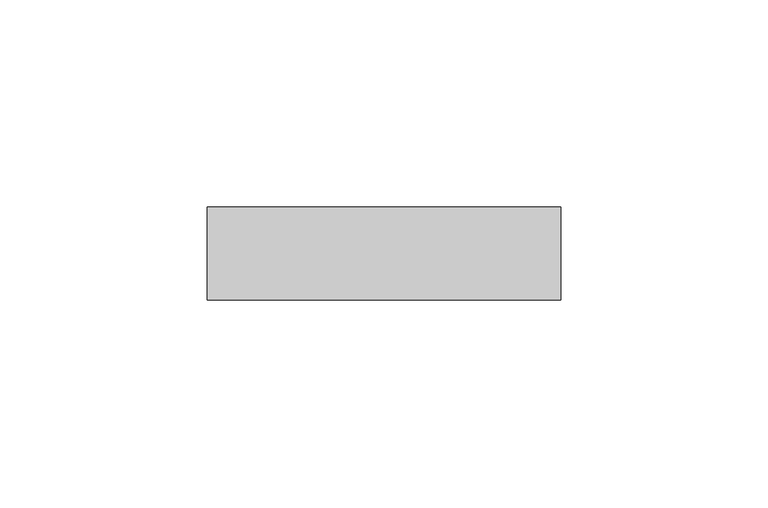
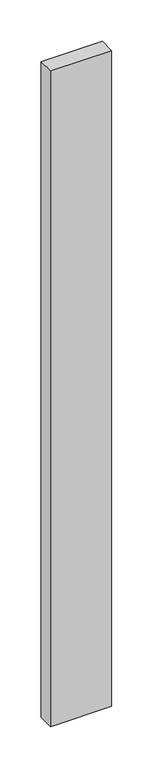
"""IFC4 building model written with IfcOpenShell, lengths in millimetres: furniture geometry."""

from ifc_helpers import new_model, si_unit, origin, origin_with_axes, place, context, project, spatial, polyline, outline, extrude, source, transform, mapped, element, save


def furniture_95f1676c(model_context):
    return source(origin(), model_context, "Body", "SweptSolid", [
        extrude(outline(polyline([(86.9949988, 0.0), (86.9949988, -22.3332866), (1.905, -22.3332866), (1.905, 0.0), (86.9949988, 0.0)])), origin_with_axes(), (0.0, 0.0, 1.0), 965.2),
    ])


if __name__ == "__main__":
    model = new_model("IFC4")
    model_context = context("Model", 3, world=origin())
    ifc_project = project(units=[si_unit("LENGTHUNIT", "METRE", prefix="MILLI")], contexts=[model_context])
    site = spatial("IfcSite", under=ifc_project)
    building = spatial("IfcBuilding", under=site)
    placement = place(None, origin())
    furniture_shape = furniture_95f1676c(model_context)
    element("IfcFurniture", 1, at=placement, inside=building, context=model_context, shape_type="MappedRepresentation", body=[
        mapped(furniture_shape, transform((0.0, 0.0, 0.0), x_axis=(1.0, 0.0, 0.0), y_axis=(0.0, 1.0, 0.0), z_axis=(0.0, 0.0, 1.0))),
    ])
    save(model, "model.ifc")
